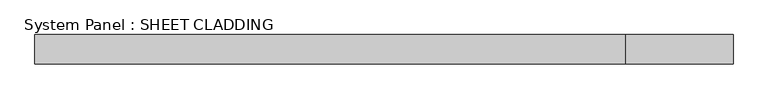
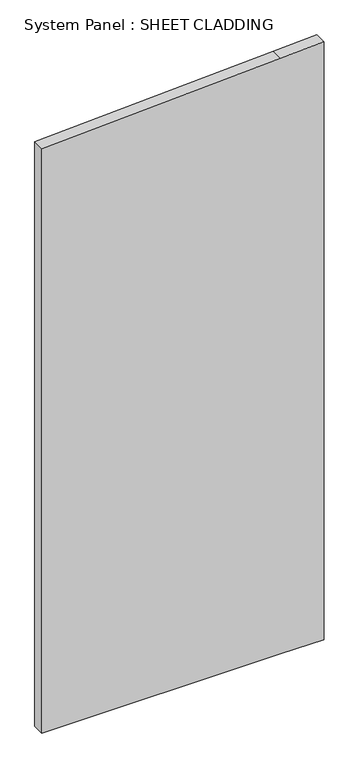
"""IFC4 building model written with IfcOpenShell, lengths in millimetres: plate geometry, System Panel : SHEET CLADDING."""

from ifc_helpers import new_model, si_unit, frame, origin, place, context, project, spatial, polyline, outline, extrude, source, transform, mapped, element, save


def system_panel_sheet_cladding_aa2507b0(model_context):
    return source(origin(), model_context, "Body", "SweptSolid", [
        extrude(outline(polyline([(0.0, -718.75), (0.0, 497.5961538), (0.0, 718.75), (3216.35, 718.75), (3205.2923077, 497.5961538), (3144.475, -718.75), (0.0, -718.75)])), frame((0.0, -49.5, 0.0), z_axis=(0.0, 1.0, 0.0), x_axis=(0.0, 0.0, 1.0)), (0.0, 0.0, 1.0), 60.0),
    ])


if __name__ == "__main__":
    model = new_model("IFC4")
    model_context = context("Model", 3, world=origin())
    ifc_project = project(units=[si_unit("LENGTHUNIT", "METRE", prefix="MILLI")], contexts=[model_context])
    site = spatial("IfcSite", under=ifc_project)
    building = spatial("IfcBuilding", under=site)
    placement = place(None, origin())
    system_panel_sheet_cladding_shape = system_panel_sheet_cladding_aa2507b0(model_context)
    element("IfcPlate", 1, ObjectType="System Panel : SHEET CLADDING", at=placement, inside=building, context=model_context, shape_type="MappedRepresentation", body=[
        mapped(system_panel_sheet_cladding_shape, transform((0.0, 0.0, 0.0), x_axis=(1.0, 0.0, 0.0), y_axis=(0.0, 1.0, 0.0), z_axis=(0.0, 0.0, 1.0))),
    ])
    save(model, "model.ifc")
